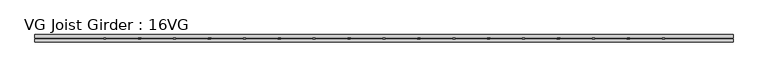
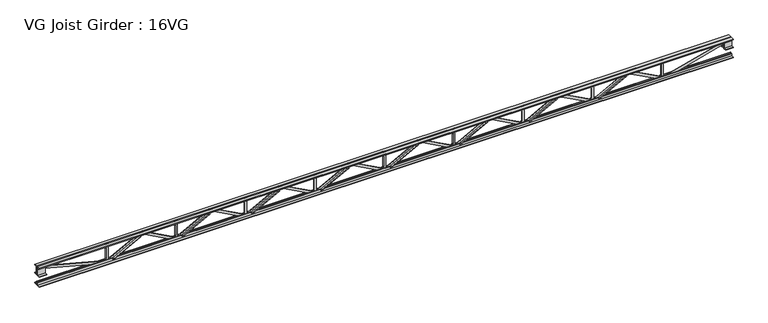
"""IFC4 building model written with IfcOpenShell, lengths in millimetres: beam geometry, VG Joist Girder : 16VG."""

import ifcopenshell
import ifcopenshell.guid

model = None  # the IFC model being written
_history = None  # IfcOwnerHistory: only IFC2X3 demands one
_inside = {}  # id of a spatial element -> (the spatial element, [elements in it])
_under = {}  # id of a project, library or spatial element -> (it, [spatial elements below it])
_declared = {}  # id of a project -> (the project, [libraries it declares])
_typed = {}  # id of a type object -> (the type object, [elements of that type])
_made_of = {}  # id of a material, layer set ... -> (it, [elements and type objects made of it])


def new_model(schema):
    """Start an empty IFC model of exactly this schema.

    Asked for "IFC4X3", IfcOpenShell would pick the latest addendum, in which some entities
    have other attributes; the version numbers below select the first issue.
    IFC2X3 requires an IfcOwnerHistory on every rooted entity: one is made here for all.
    """
    global model, _history
    if schema == "IFC4X3":
        model = ifcopenshell.file(schema_version=(4, 3, 0, 0))
    else:
        model = ifcopenshell.file(schema=schema)
    _inside.clear()
    _under.clear()
    _declared.clear()
    _typed.clear()
    _made_of.clear()
    _history = None
    if model.schema == "IFC2X3":
        org = make("IfcOrganization", Name="unknown")
        user = make(
            "IfcPersonAndOrganization",
            ThePerson=make("IfcPerson", FamilyName="unknown"),
            TheOrganization=org,
        )
        app = make(
            "IfcApplication",
            ApplicationDeveloper=org,
            Version="unknown",
            ApplicationFullName="unknown",
            ApplicationIdentifier="unknown",
        )
        _history = make(
            "IfcOwnerHistory",
            OwningUser=user,
            OwningApplication=app,
            ChangeAction="ADDED",
            CreationDate=0,
        )
    return model


def make(cls, **values):
    """One entity of the class cls with the attributes given. An attribute that is None is left unset."""
    return model.create_entity(
        cls, **{name: value for name, value in values.items() if value is not None}
    )


def rooted(cls, **values):
    """An entity with a GlobalId (a new one), such as an element, a storey or a relation."""
    return make(cls, GlobalId=ifcopenshell.guid.new(), OwnerHistory=_history, **values)


def si_unit(unit_type, name, prefix=None):
    """IfcSIUnit, for example si_unit("LENGTHUNIT", "METRE", prefix="MILLI")."""
    return make("IfcSIUnit", UnitType=unit_type, Prefix=prefix, Name=name)


def assignment(units):
    """IfcUnitAssignment: the units of a project."""
    return None if units is None else make("IfcUnitAssignment", Units=units)


def point(xyz):
    """IfcCartesianPoint."""
    return None if xyz is None else make("IfcCartesianPoint", Coordinates=xyz)


def direction(xyz):
    """IfcDirection."""
    return None if xyz is None else make("IfcDirection", DirectionRatios=xyz)


def frame(location, z_axis=None, x_axis=None):
    """IfcAxis2Placement3D, a coordinate frame: its origin and axes. An axis left out is left unset."""
    return make(
        "IfcAxis2Placement3D",
        Location=point(location),
        Axis=direction(z_axis),
        RefDirection=direction(x_axis),
    )


def origin():
    """The frame at (0, 0, 0) with its axes left unset."""
    return frame((0.0, 0.0, 0.0))


def place(relative_to, where):
    """IfcLocalPlacement: puts the frame where relative to a parent placement (None: the world)."""
    return make(
        "IfcLocalPlacement", PlacementRelTo=relative_to, RelativePlacement=where
    )


def context(
    kind, dimensions, precision=None, world=None, true_north=None, identifier=None
):
    """IfcGeometricRepresentationContext, for example the 3D "Model" context."""
    return make(
        "IfcGeometricRepresentationContext",
        ContextIdentifier=identifier,
        ContextType=kind,
        CoordinateSpaceDimension=dimensions,
        Precision=precision,
        WorldCoordinateSystem=world,
        TrueNorth=true_north,
    )


def project(units=None, contexts=None):
    """IfcProject with its units and contexts."""
    return rooted(
        "IfcProject",
        Name="project",
        RepresentationContexts=contexts,
        UnitsInContext=assignment(units),
    )


def spatial(cls, under=None, at=None, **own):
    """A site, building, storey or space (cls), placed at a placement, below another one or the project."""
    s = rooted(cls, ObjectPlacement=at, **own)
    if under is not None:
        _under.setdefault(under.id(), (under, []))[1].append(s)
    return s


def polyline(points):
    """IfcPolyline through the points."""
    return make("IfcPolyline", Points=[point(p) for p in points])


def outline(outer, holes=None, kind="AREA"):
    """IfcArbitraryClosedProfileDef: a profile drawn as a closed curve; with holes, ...WithVoids."""
    if holes is None:
        return make("IfcArbitraryClosedProfileDef", ProfileType=kind, OuterCurve=outer)
    return make(
        "IfcArbitraryProfileDefWithVoids",
        ProfileType=kind,
        OuterCurve=outer,
        InnerCurves=holes,
    )


def extrude(swept, where, along, depth):
    """IfcExtrudedAreaSolid: the profile swept, set in the frame where, extruded along a direction by depth."""
    return make(
        "IfcExtrudedAreaSolid",
        SweptArea=swept,
        Position=where,
        ExtrudedDirection=direction(along),
        Depth=depth,
    )


def faces_of(points, faces, orient=None, outer=None):
    """IfcFace entities. A face is a list of loops; a loop is a list of indices into points, from 0.

    orient and outer hold one flag for each loop. By default every Orientation is true, the
    first loop of a face is its IfcFaceOuterBound and the others are IfcFaceBound.
    """
    made = []
    for i, loops in enumerate(faces):
        bounds = []
        for j, loop in enumerate(loops):
            is_outer = j == 0 if outer is None else outer[i][j]
            bounds.append(
                make(
                    "IfcFaceOuterBound" if is_outer else "IfcFaceBound",
                    Bound=make("IfcPolyLoop", Polygon=[points[k] for k in loop]),
                    Orientation=True if orient is None else orient[i][j],
                )
            )
        made.append(make("IfcFace", Bounds=bounds))
    return made


def faceted_brep(points, faces, orient=None, outer=None, voids=None):
    """IfcFacetedBrep: a solid bounded by flat faces; with voids (closed shells), ...WithVoids."""
    shared = [point(p) for p in points]
    hull = make("IfcClosedShell", CfsFaces=faces_of(shared, faces, orient, outer))
    if voids is None:
        return make("IfcFacetedBrep", Outer=hull)
    return make(
        "IfcFacetedBrepWithVoids",
        Outer=hull,
        Voids=[
            make(cls, CfsFaces=faces_of(shared, fs, o, b)) for cls, fs, o, b in voids
        ],
    )


def shape(context_of_items, identifier, shape_type, items):
    """IfcShapeRepresentation: the items that make up one representation, for example the "Body"."""
    return make(
        "IfcShapeRepresentation",
        ContextOfItems=context_of_items,
        RepresentationIdentifier=identifier,
        RepresentationType=shape_type,
        Items=items,
    )


def source(mapping_origin, context_of_items, identifier, shape_type, items):
    """IfcRepresentationMap: a shape defined once, which mapped items show again and again."""
    return make(
        "IfcRepresentationMap",
        MappingOrigin=mapping_origin,
        MappedRepresentation=shape(context_of_items, identifier, shape_type, items),
    )


def transform(
    local_origin,
    x_axis=None,
    y_axis=None,
    z_axis=None,
    scale=None,
    scale2=None,
    scale3=None,
    uniform=True,
):
    """IfcCartesianTransformationOperator3D, or its non-uniform kind. x_axis, y_axis, z_axis: its Axis1, 2, 3."""
    if uniform:
        return make(
            "IfcCartesianTransformationOperator3D",
            Axis1=direction(x_axis),
            Axis2=direction(y_axis),
            LocalOrigin=point(local_origin),
            Scale=scale,
            Axis3=direction(z_axis),
        )
    return make(
        "IfcCartesianTransformationOperator3DnonUniform",
        Axis1=direction(x_axis),
        Axis2=direction(y_axis),
        LocalOrigin=point(local_origin),
        Scale=scale,
        Axis3=direction(z_axis),
        Scale2=scale2,
        Scale3=scale3,
    )


def mapped(mapping_source, mapping_target):
    """IfcMappedItem: shows the shape of a source again, moved by a transform."""
    return make(
        "IfcMappedItem", MappingSource=mapping_source, MappingTarget=mapping_target
    )


def made_of(thing, what):
    """Note that an element or type object is made of a material, layer set ...; save() writes the relation."""
    if what is not None:
        _made_of.setdefault(what.id(), (what, []))[1].append(thing)
    return thing


def element(
    cls,
    number,
    at=None,
    inside=None,
    cuts=None,
    type_object=None,
    material=None,
    context=None,
    identifier="Body",
    shape_type=None,
    held_by="IfcProductDefinitionShape",
    body=None,
    shapes=None,
    **own,
):
    """One element of the class cls, such as IfcWall. Its Tag is "e" and its number.

    at: its placement. inside: the storey or other place that contains it. cuts: it is an
    opening in that element (IfcRelVoidsElement). A single representation is given by context,
    identifier, shape_type and body (its items); several are given by shapes. held_by: the class
    of the entity that holds the representations. save() writes the other relations.
    """
    e = rooted(cls, Tag="e%d" % number, ObjectPlacement=at, **own)
    if body is not None:
        shapes = [shape(context, identifier, shape_type, body)]
    if shapes is not None:
        e.Representation = make(held_by, Representations=shapes)
    if inside is not None:
        _inside.setdefault(inside.id(), (inside, []))[1].append(e)
    if cuts is not None:
        rooted(
            "IfcRelVoidsElement", RelatingBuildingElement=cuts, RelatedOpeningElement=e
        )
    if type_object is not None:
        _typed.setdefault(type_object.id(), (type_object, []))[1].append(e)
    return made_of(e, material)


def aggregate(whole, parts):
    """IfcRelAggregates: a whole, such as a stair, and the parts it consists of."""
    return rooted("IfcRelAggregates", RelatingObject=whole, RelatedObjects=parts)


def save(model, path):
    """Write the relations noted so far, then the file.

    IfcRelAggregates (storeys below a building ...), IfcRelContainedInSpatialStructure (elements
    in a storey), IfcRelDefinesByType, IfcRelAssociatesMaterial and IfcRelDeclares: one each for
    every whole, place, type object, material and project.
    """
    for whole, parts in _under.values():
        aggregate(whole, parts)
    for where, things in _inside.values():
        rooted(
            "IfcRelContainedInSpatialStructure",
            RelatedElements=things,
            RelatingStructure=where,
        )
    for kind, things in _typed.values():
        rooted("IfcRelDefinesByType", RelatedObjects=things, RelatingType=kind)
    for what, things in _made_of.values():
        rooted("IfcRelAssociatesMaterial", RelatedObjects=things, RelatingMaterial=what)
    for by, libraries in _declared.values():
        rooted("IfcRelDeclares", RelatingContext=by, RelatedDefinitions=libraries)
    model.write(path)


def vg_joist_girder_16vg_ef0be2d3(model_context):
    return source(origin(), model_context, "Body", "SolidModel", [
        faceted_brep([(4271.01, -12.7, -152.4), (4271.01, 0.0, -152.4), (4271.01, 0.0, -203.2), (4271.01, -12.7, -203.2), (4290.0116306, -12.7, -152.4), (4290.0116306, 0.0, -152.4), (4951.0466306, 0.0, 203.2), (5008.245, 0.0, 203.2), (5008.245, 0.0, 152.4), (4963.8433694, 0.0, 152.4), (4302.8083694, 0.0, -203.2), (4302.8083694, -12.7, -203.2), (4381.8939989, -12.7, -160.6563376), (4375.8774164, -12.7, -149.4719407), (4942.009661, -12.7, 155.0756645), (4948.0262435, -12.7, 143.8912675), (4963.8433694, -12.7, 152.4), (5008.245, -12.7, 152.4), (5008.245, -12.7, 203.2), (4951.0466306, -12.7, 203.2), (4948.0262435, -50.8, 143.8912675), (4381.8939989, -50.8, -160.6563376), (4375.8774164, -50.8, -149.4719407), (4942.009661, -50.8, 155.0756645)], [[[0, 1, 2, 3]], [[1, 0, 4, 5]], [[2, 1, 5, 6, 7, 8, 9, 10]], [[3, 2, 10, 11]], [[0, 3, 11, 12, 13, 14, 15, 16, 17, 18, 19, 4]], [[5, 4, 19, 6]], [[10, 9, 16, 15, 20, 21, 12, 11]], [[8, 7, 18, 17]], [[7, 6, 19, 18]], [[9, 8, 17, 16]], [[21, 22, 13, 12]], [[20, 15, 14, 23]], [[22, 21, 20, 23]], [[13, 22, 23, 14]]]),
        extrude(outline(polyline([(203.2, 5720.08), (203.2, 5669.28), (120.65, 5669.28), (109.5375, 5680.3925), (-109.5375, 5680.3925), (-120.65, 5669.28), (-203.2, 5669.28), (-203.2, 5720.08), (203.2, 5720.08)])), frame((0.0, -12.7, 0.0), z_axis=(0.0, 1.0, 0.0), x_axis=(0.0, 0.0, 1.0)), (0.0, 0.0, 1.0), 25.4),
        extrude(outline(polyline([(203.2, 4296.41), (203.2, 4245.61), (120.65, 4245.61), (109.5375, 4256.7225), (-109.5375, 4256.7225), (-120.65, 4245.61), (-203.2, 4245.61), (-203.2, 4296.41), (203.2, 4296.41)])), frame((0.0, -12.7, 0.0), z_axis=(0.0, 1.0, 0.0), x_axis=(0.0, 0.0, 1.0)), (0.0, 0.0, 1.0), 25.4),
        extrude(outline(polyline([(0.0, -38.1), (0.0, 0.0), (642.8490975, 0.0), (642.8490975, -38.1), (0.0, -38.1)])), frame((5583.7960011, 12.7, -160.6563376), z_axis=(0.4737466480662303, 0.0, 0.8806611797087525), x_axis=(-0.8806611797087525, 0.0, 0.4737466480662303)), (0.0, 0.0, 1.0), 12.7),
        extrude(outline(polyline([(-203.2, 5694.68), (-152.4, 5694.68), (-152.4, 5675.6783694), (203.2, 5014.6433694), (203.2, 4957.445), (152.4, 4957.445), (152.4, 5001.8466306), (-203.2, 5662.8816306), (-203.2, 5694.68)])), frame((0.0, 0.0, 0.0), z_axis=(0.0, 1.0, 0.0), x_axis=(0.0, 0.0, 1.0)), (0.0, 0.0, 1.0), 12.7),
        extrude(outline(polyline([(203.2, 2872.74), (203.2, 2821.94), (120.65, 2821.94), (109.5375, 2833.0525), (-109.5375, 2833.0525), (-120.65, 2821.94), (-203.2, 2821.94), (-203.2, 2872.74), (203.2, 2872.74)])), frame((0.0, -12.7, 0.0), z_axis=(0.0, 1.0, 0.0), x_axis=(0.0, 0.0, 1.0)), (0.0, 0.0, 1.0), 25.4),
        faceted_brep([(4271.01, 0.0, -152.4), (4271.01, 0.0, -203.2), (4271.01, 12.7, -203.2), (4271.01, 12.7, -152.4), (4252.0083694, 0.0, -152.4), (3590.9733694, 0.0, 203.2), (3533.775, 0.0, 203.2), (3533.775, 0.0, 152.4), (3578.1766306, 0.0, 152.4), (4239.2116306, 0.0, -203.2), (4239.2116306, 12.7, -203.2), (4160.1260011, 12.7, -160.6563376), (4166.1425836, 12.7, -149.4719407), (3600.010339, 12.7, 155.0756645), (3593.9937565, 12.7, 143.8912675), (3578.1766306, 12.7, 152.4), (3533.775, 12.7, 152.4), (3533.775, 12.7, 203.2), (3590.9733694, 12.7, 203.2), (4252.0083694, 12.7, -152.4), (3593.9937565, 50.8, 143.8912675), (4160.1260011, 50.8, -160.6563376), (4166.1425836, 50.8, -149.4719407), (3600.010339, 50.8, 155.0756645)], [[[0, 1, 2, 3]], [[1, 0, 4, 5, 6, 7, 8, 9]], [[2, 1, 9, 10]], [[3, 2, 10, 11, 12, 13, 14, 15, 16, 17, 18, 19]], [[0, 3, 19, 4]], [[9, 8, 15, 14, 20, 21, 11, 10]], [[5, 4, 19, 18]], [[7, 6, 17, 16]], [[8, 7, 16, 15]], [[6, 5, 18, 17]], [[11, 21, 22, 12]], [[13, 23, 20, 14]], [[22, 21, 20, 23]], [[12, 22, 23, 13]]]),
        extrude(outline(polyline([(0.0, -38.1), (0.0, 0.0), (642.8490975, 0.0), (642.8490975, -38.1), (0.0, -38.1)])), frame((2958.2239989, -12.7, -160.6563376), z_axis=(-0.47374664806622946, 0.0, 0.8806611797087528), x_axis=(0.8806611797087528, 0.0, 0.47374664806622946)), (0.0, 0.0, 1.0), 12.7),
        extrude(outline(polyline([(-152.4, 2847.34), (-203.2, 2847.34), (-203.2, 2879.1383694), (152.4, 3540.1733694), (152.4, 3584.575), (203.2, 3584.575), (203.2, 3527.3766306), (-152.4, 2866.3416306), (-152.4, 2847.34)])), frame((0.0, -12.7, 0.0), z_axis=(0.0, 1.0, 0.0), x_axis=(0.0, 0.0, 1.0)), (0.0, 0.0, 1.0), 12.7),
        extrude(outline(polyline([(203.2, 1449.07), (203.2, 1398.27), (120.65, 1398.27), (109.5375, 1409.3825), (-109.5375, 1409.3825), (-120.65, 1398.27), (-203.2, 1398.27), (-203.2, 1449.07), (203.2, 1449.07)])), frame((0.0, -12.7, 0.0), z_axis=(0.0, 1.0, 0.0), x_axis=(0.0, 0.0, 1.0)), (0.0, 0.0, 1.0), 25.4),
        faceted_brep([(2847.34, 0.0, -152.4), (2847.34, 0.0, -203.2), (2847.34, 12.7, -203.2), (2847.34, 12.7, -152.4), (2828.3383694, 0.0, -152.4), (2167.3033694, 0.0, 203.2), (2110.105, 0.0, 203.2), (2110.105, 0.0, 152.4), (2154.5066306, 0.0, 152.4), (2815.5416306, 0.0, -203.2), (2815.5416306, 12.7, -203.2), (2736.4560011, 12.7, -160.6563376), (2742.4725836, 12.7, -149.4719407), (2176.340339, 12.7, 155.0756645), (2170.3237565, 12.7, 143.8912675), (2154.5066306, 12.7, 152.4), (2110.105, 12.7, 152.4), (2110.105, 12.7, 203.2), (2167.3033694, 12.7, 203.2), (2828.3383694, 12.7, -152.4), (2170.3237565, 50.8, 143.8912675), (2736.4560011, 50.8, -160.6563376), (2742.4725836, 50.8, -149.4719407), (2176.340339, 50.8, 155.0756645)], [[[0, 1, 2, 3]], [[1, 0, 4, 5, 6, 7, 8, 9]], [[2, 1, 9, 10]], [[3, 2, 10, 11, 12, 13, 14, 15, 16, 17, 18, 19]], [[0, 3, 19, 4]], [[9, 8, 15, 14, 20, 21, 11, 10]], [[5, 4, 19, 18]], [[7, 6, 17, 16]], [[8, 7, 16, 15]], [[6, 5, 18, 17]], [[11, 21, 22, 12]], [[13, 23, 20, 14]], [[22, 21, 20, 23]], [[12, 22, 23, 13]]]),
        extrude(outline(polyline([(0.0, -38.1), (0.0, 0.0), (642.8490975, 0.0), (642.8490975, -38.1), (0.0, -38.1)])), frame((1534.5539989, -12.7, -160.6563376), z_axis=(-0.47374664806622946, 0.0, 0.8806611797087528), x_axis=(0.8806611797087528, 0.0, 0.47374664806622946)), (0.0, 0.0, 1.0), 12.7),
        extrude(outline(polyline([(-152.4, 1423.67), (-203.2, 1423.67), (-203.2, 1455.4683694), (152.4, 2116.5033694), (152.4, 2160.905), (203.2, 2160.905), (203.2, 2103.7066306), (-152.4, 1442.6716306), (-152.4, 1423.67)])), frame((0.0, -12.7, 0.0), z_axis=(0.0, 1.0, 0.0), x_axis=(0.0, 0.0, 1.0)), (0.0, 0.0, 1.0), 12.7),
        extrude(outline(polyline([(203.2, 25.4), (203.2, -25.4), (120.65, -25.4), (109.5375, -14.2875), (-109.5375, -14.2875), (-120.65, -25.4), (-203.2, -25.4), (-203.2, 25.4), (203.2, 25.4)])), frame((0.0, -12.7, 0.0), z_axis=(0.0, 1.0, 0.0), x_axis=(0.0, 0.0, 1.0)), (0.0, 0.0, 1.0), 25.4),
        faceted_brep([(1423.67, 0.0, -152.4), (1423.67, 0.0, -203.2), (1423.67, 12.7, -203.2), (1423.67, 12.7, -152.4), (1404.6683694, 0.0, -152.4), (743.6333694, 0.0, 203.2), (686.435, 0.0, 203.2), (686.435, 0.0, 152.4), (730.8366306, 0.0, 152.4), (1391.8716306, 0.0, -203.2), (1391.8716306, 12.7, -203.2), (1312.7860011, 12.7, -160.6563376), (1318.8025836, 12.7, -149.4719407), (752.670339, 12.7, 155.0756645), (746.6537565, 12.7, 143.8912675), (730.8366306, 12.7, 152.4), (686.435, 12.7, 152.4), (686.435, 12.7, 203.2), (743.6333694, 12.7, 203.2), (1404.6683694, 12.7, -152.4), (746.6537565, 50.8, 143.8912675), (1312.7860011, 50.8, -160.6563376), (1318.8025836, 50.8, -149.4719407), (752.670339, 50.8, 155.0756645)], [[[0, 1, 2, 3]], [[1, 0, 4, 5, 6, 7, 8, 9]], [[2, 1, 9, 10]], [[3, 2, 10, 11, 12, 13, 14, 15, 16, 17, 18, 19]], [[0, 3, 19, 4]], [[9, 8, 15, 14, 20, 21, 11, 10]], [[5, 4, 19, 18]], [[7, 6, 17, 16]], [[8, 7, 16, 15]], [[6, 5, 18, 17]], [[11, 21, 22, 12]], [[13, 23, 20, 14]], [[22, 21, 20, 23]], [[12, 22, 23, 13]]]),
        extrude(outline(polyline([(0.0, -38.1), (0.0, 0.0), (642.8490975, 0.0), (642.8490975, -38.1), (0.0, -38.1)])), frame((110.8839989, -12.7, -160.6563376), z_axis=(-0.47374664806622946, 0.0, 0.8806611797087528), x_axis=(0.8806611797087528, 0.0, 0.47374664806622946)), (0.0, 0.0, 1.0), 12.7),
        extrude(outline(polyline([(-152.4, 0.0), (-203.2, 0.0), (-203.2, 31.7983694), (152.4, 692.8333694), (152.4, 737.235), (203.2, 737.235), (203.2, 680.0366306), (-152.4, 19.0016306), (-152.4, 0.0)])), frame((0.0, -12.7, 0.0), z_axis=(0.0, 1.0, 0.0), x_axis=(0.0, 0.0, 1.0)), (0.0, 0.0, 1.0), 12.7),
        extrude(outline(polyline([(203.2, -1398.27), (203.2, -1449.07), (120.65, -1449.07), (109.5375, -1437.9575), (-109.5375, -1437.9575), (-120.65, -1449.07), (-203.2, -1449.07), (-203.2, -1398.27), (203.2, -1398.27)])), frame((0.0, -12.7, 0.0), z_axis=(0.0, 1.0, 0.0), x_axis=(0.0, 0.0, 1.0)), (0.0, 0.0, 1.0), 25.4),
        faceted_brep([(0.0, 0.0, -152.4), (0.0, 0.0, -203.2), (0.0, 12.7, -203.2), (0.0, 12.7, -152.4), (-19.0016306, 0.0, -152.4), (-680.0366306, 0.0, 203.2), (-737.235, 0.0, 203.2), (-737.235, 0.0, 152.4), (-692.8333694, 0.0, 152.4), (-31.7983694, 0.0, -203.2), (-31.7983694, 12.7, -203.2), (-110.8839989, 12.7, -160.6563376), (-104.8674164, 12.7, -149.4719407), (-670.999661, 12.7, 155.0756645), (-677.0162435, 12.7, 143.8912675), (-692.8333694, 12.7, 152.4), (-737.235, 12.7, 152.4), (-737.235, 12.7, 203.2), (-680.0366306, 12.7, 203.2), (-19.0016306, 12.7, -152.4), (-677.0162435, 50.8, 143.8912675), (-110.8839989, 50.8, -160.6563376), (-104.8674164, 50.8, -149.4719407), (-670.999661, 50.8, 155.0756645)], [[[0, 1, 2, 3]], [[1, 0, 4, 5, 6, 7, 8, 9]], [[2, 1, 9, 10]], [[3, 2, 10, 11, 12, 13, 14, 15, 16, 17, 18, 19]], [[0, 3, 19, 4]], [[9, 8, 15, 14, 20, 21, 11, 10]], [[5, 4, 19, 18]], [[7, 6, 17, 16]], [[8, 7, 16, 15]], [[6, 5, 18, 17]], [[11, 21, 22, 12]], [[13, 23, 20, 14]], [[22, 21, 20, 23]], [[12, 22, 23, 13]]]),
        extrude(outline(polyline([(0.0, -38.1), (0.0, 0.0), (642.8490975, 0.0), (642.8490975, -38.1), (0.0, -38.1)])), frame((-1312.7860011, -12.7, -160.6563376), z_axis=(-0.47374664806622946, 0.0, 0.8806611797087528), x_axis=(0.8806611797087528, 0.0, 0.47374664806622946)), (0.0, 0.0, 1.0), 12.7),
        extrude(outline(polyline([(-152.4, -1423.67), (-203.2, -1423.67), (-203.2, -1391.8716306), (152.4, -730.8366306), (152.4, -686.435), (203.2, -686.435), (203.2, -743.6333694), (-152.4, -1404.6683694), (-152.4, -1423.67)])), frame((0.0, -12.7, 0.0), z_axis=(0.0, 1.0, 0.0), x_axis=(0.0, 0.0, 1.0)), (0.0, 0.0, 1.0), 12.7),
        extrude(outline(polyline([(203.2, -2821.94), (203.2, -2872.74), (120.65, -2872.74), (109.5375, -2861.6275), (-109.5375, -2861.6275), (-120.65, -2872.74), (-203.2, -2872.74), (-203.2, -2821.94), (203.2, -2821.94)])), frame((0.0, -12.7, 0.0), z_axis=(0.0, 1.0, 0.0), x_axis=(0.0, 0.0, 1.0)), (0.0, 0.0, 1.0), 25.4),
        faceted_brep([(-1423.67, 0.0, -152.4), (-1423.67, 0.0, -203.2), (-1423.67, 12.7, -203.2), (-1423.67, 12.7, -152.4), (-1442.6716306, 0.0, -152.4), (-2103.7066306, 0.0, 203.2), (-2160.905, 0.0, 203.2), (-2160.905, 0.0, 152.4), (-2116.5033694, 0.0, 152.4), (-1455.4683694, 0.0, -203.2), (-1455.4683694, 12.7, -203.2), (-1534.5539989, 12.7, -160.6563376), (-1528.5374164, 12.7, -149.4719407), (-2094.669661, 12.7, 155.0756645), (-2100.6862435, 12.7, 143.8912675), (-2116.5033694, 12.7, 152.4), (-2160.905, 12.7, 152.4), (-2160.905, 12.7, 203.2), (-2103.7066306, 12.7, 203.2), (-1442.6716306, 12.7, -152.4), (-2100.6862435, 50.8, 143.8912675), (-1534.5539989, 50.8, -160.6563376), (-1528.5374164, 50.8, -149.4719407), (-2094.669661, 50.8, 155.0756645)], [[[0, 1, 2, 3]], [[1, 0, 4, 5, 6, 7, 8, 9]], [[2, 1, 9, 10]], [[3, 2, 10, 11, 12, 13, 14, 15, 16, 17, 18, 19]], [[0, 3, 19, 4]], [[9, 8, 15, 14, 20, 21, 11, 10]], [[5, 4, 19, 18]], [[7, 6, 17, 16]], [[8, 7, 16, 15]], [[6, 5, 18, 17]], [[11, 21, 22, 12]], [[13, 23, 20, 14]], [[22, 21, 20, 23]], [[12, 22, 23, 13]]]),
        extrude(outline(polyline([(0.0, -38.1), (0.0, 0.0), (642.8490975, 0.0), (642.8490975, -38.1), (0.0, -38.1)])), frame((-2736.4560011, -12.7, -160.6563376), z_axis=(-0.47374664806622946, 0.0, 0.8806611797087528), x_axis=(0.8806611797087528, 0.0, 0.47374664806622946)), (0.0, 0.0, 1.0), 12.7),
        extrude(outline(polyline([(-152.4, -2847.34), (-203.2, -2847.34), (-203.2, -2815.5416306), (152.4, -2154.5066306), (152.4, -2110.105), (203.2, -2110.105), (203.2, -2167.3033694), (-152.4, -2828.3383694), (-152.4, -2847.34)])), frame((0.0, -12.7, 0.0), z_axis=(0.0, 1.0, 0.0), x_axis=(0.0, 0.0, 1.0)), (0.0, 0.0, 1.0), 12.7),
        extrude(outline(polyline([(203.2, -4245.61), (203.2, -4296.41), (120.65, -4296.41), (109.5375, -4285.2975), (-109.5375, -4285.2975), (-120.65, -4296.41), (-203.2, -4296.41), (-203.2, -4245.61), (203.2, -4245.61)])), frame((0.0, -12.7, 0.0), z_axis=(0.0, 1.0, 0.0), x_axis=(0.0, 0.0, 1.0)), (0.0, 0.0, 1.0), 25.4),
        faceted_brep([(-2847.34, 0.0, -152.4), (-2847.34, 0.0, -203.2), (-2847.34, 12.7, -203.2), (-2847.34, 12.7, -152.4), (-2866.3416306, 0.0, -152.4), (-3527.3766306, 0.0, 203.2), (-3584.575, 0.0, 203.2), (-3584.575, 0.0, 152.4), (-3540.1733694, 0.0, 152.4), (-2879.1383694, 0.0, -203.2), (-2879.1383694, 12.7, -203.2), (-2958.2239989, 12.7, -160.6563376), (-2952.2074164, 12.7, -149.4719407), (-3518.339661, 12.7, 155.0756645), (-3524.3562435, 12.7, 143.8912675), (-3540.1733694, 12.7, 152.4), (-3584.575, 12.7, 152.4), (-3584.575, 12.7, 203.2), (-3527.3766306, 12.7, 203.2), (-2866.3416306, 12.7, -152.4), (-3524.3562435, 50.8, 143.8912675), (-2958.2239989, 50.8, -160.6563376), (-2952.2074164, 50.8, -149.4719407), (-3518.339661, 50.8, 155.0756645)], [[[0, 1, 2, 3]], [[1, 0, 4, 5, 6, 7, 8, 9]], [[2, 1, 9, 10]], [[3, 2, 10, 11, 12, 13, 14, 15, 16, 17, 18, 19]], [[0, 3, 19, 4]], [[9, 8, 15, 14, 20, 21, 11, 10]], [[5, 4, 19, 18]], [[7, 6, 17, 16]], [[8, 7, 16, 15]], [[6, 5, 18, 17]], [[11, 21, 22, 12]], [[13, 23, 20, 14]], [[22, 21, 20, 23]], [[12, 22, 23, 13]]]),
        extrude(outline(polyline([(0.0, -38.1), (0.0, 0.0), (642.8490975, 0.0), (642.8490975, -38.1), (0.0, -38.1)])), frame((-4160.1260011, -12.7, -160.6563376), z_axis=(-0.47374664806622946, 0.0, 0.8806611797087528), x_axis=(0.8806611797087528, 0.0, 0.47374664806622946)), (0.0, 0.0, 1.0), 12.7),
        extrude(outline(polyline([(-152.4, -4271.01), (-203.2, -4271.01), (-203.2, -4239.2116306), (152.4, -3578.1766306), (152.4, -3533.775), (203.2, -3533.775), (203.2, -3590.9733694), (-152.4, -4252.0083694), (-152.4, -4271.01)])), frame((0.0, -12.7, 0.0), z_axis=(0.0, 1.0, 0.0), x_axis=(0.0, 0.0, 1.0)), (0.0, 0.0, 1.0), 12.7),
        extrude(outline(polyline([(203.2, -5669.28), (203.2, -5720.08), (120.65, -5720.08), (109.5375, -5708.9675), (-109.5375, -5708.9675), (-120.65, -5720.08), (-203.2, -5720.08), (-203.2, -5669.28), (203.2, -5669.28)])), frame((0.0, -12.7, 0.0), z_axis=(0.0, 1.0, 0.0), x_axis=(0.0, 0.0, 1.0)), (0.0, 0.0, 1.0), 25.4),
        faceted_brep([(-4271.01, 0.0, -152.4), (-4271.01, 0.0, -203.2), (-4271.01, 12.7, -203.2), (-4271.01, 12.7, -152.4), (-4290.0116306, 0.0, -152.4), (-4951.0466306, 0.0, 203.2), (-5008.245, 0.0, 203.2), (-5008.245, 0.0, 152.4), (-4963.8433694, 0.0, 152.4), (-4302.8083694, 0.0, -203.2), (-4302.8083694, 12.7, -203.2), (-4381.8939989, 12.7, -160.6563376), (-4375.8774164, 12.7, -149.4719407), (-4942.009661, 12.7, 155.0756645), (-4948.0262435, 12.7, 143.8912675), (-4963.8433694, 12.7, 152.4), (-5008.245, 12.7, 152.4), (-5008.245, 12.7, 203.2), (-4951.0466306, 12.7, 203.2), (-4290.0116306, 12.7, -152.4), (-4948.0262435, 50.8, 143.8912675), (-4381.8939989, 50.8, -160.6563376), (-4375.8774164, 50.8, -149.4719407), (-4942.009661, 50.8, 155.0756645)], [[[0, 1, 2, 3]], [[1, 0, 4, 5, 6, 7, 8, 9]], [[2, 1, 9, 10]], [[3, 2, 10, 11, 12, 13, 14, 15, 16, 17, 18, 19]], [[0, 3, 19, 4]], [[9, 8, 15, 14, 20, 21, 11, 10]], [[5, 4, 19, 18]], [[7, 6, 17, 16]], [[8, 7, 16, 15]], [[6, 5, 18, 17]], [[11, 21, 22, 12]], [[13, 23, 20, 14]], [[22, 21, 20, 23]], [[12, 22, 23, 13]]]),
        extrude(outline(polyline([(0.0, -38.1), (0.0, 0.0), (642.8490975, 0.0), (642.8490975, -38.1), (0.0, -38.1)])), frame((-5583.7960011, -12.7, -160.6563376), z_axis=(-0.47374664806622946, 0.0, 0.8806611797087528), x_axis=(0.8806611797087528, 0.0, 0.47374664806622946)), (0.0, 0.0, 1.0), 12.7),
        extrude(outline(polyline([(-152.4, -5694.68), (-203.2, -5694.68), (-203.2, -5662.8816306), (152.4, -5001.8466306), (152.4, -4957.445), (203.2, -4957.445), (203.2, -5014.6433694), (-152.4, -5675.6783694), (-152.4, -5694.68)])), frame((0.0, -12.7, 0.0), z_axis=(0.0, 1.0, 0.0), x_axis=(0.0, 0.0, 1.0)), (0.0, 0.0, 1.0), 12.7),
        extrude(outline(polyline([(12.7, 203.2), (76.2, 203.2), (76.2, 190.5), (25.4, 190.5), (25.4, 139.7), (12.7, 139.7), (12.7, 203.2)])), frame((-7118.844327, 0.0, 0.0), z_axis=(1.0, 0.0, 0.0), x_axis=(0.0, 1.0, 0.0)), (0.0, 0.0, 1.0), 14237.194327),
        extrude(outline(polyline([(-12.7, 203.2), (-12.7, 139.7), (-25.4, 139.7), (-25.4, 190.5), (-76.2, 190.5), (-76.2, 203.2), (-12.7, 203.2)])), frame((-7118.844327, 0.0, 0.0), z_axis=(1.0, 0.0, 0.0), x_axis=(0.0, 1.0, 0.0)), (0.0, 0.0, 1.0), 14237.194327),
        extrude(outline(polyline([(-12.7, 12.7), (-76.2, 12.7), (-76.2, 25.4), (-25.4, 25.4), (-25.4, 139.7), (-12.7, 139.7), (-12.7, 12.7)])), frame((-7118.844327, 0.0, 0.0), z_axis=(1.0, 0.0, 0.0), x_axis=(0.0, 1.0, 0.0)), (0.0, 0.0, 1.0), 152.894327),
        extrude(outline(polyline([(76.2, 12.7), (12.7, 12.7), (12.7, 139.7), (25.4, 139.7), (25.4, 25.4), (76.2, 25.4), (76.2, 12.7)])), frame((-7118.844327, 0.0, 0.0), z_axis=(1.0, 0.0, 0.0), x_axis=(0.0, 1.0, 0.0)), (0.0, 0.0, 1.0), 152.894327),
        extrude(outline(polyline([(12.7, 12.7), (12.7, 139.7), (25.4, 139.7), (25.4, 25.4), (76.2, 25.4), (76.2, 12.7), (12.7, 12.7)])), frame((6965.95, 0.0, 0.0), z_axis=(1.0, 0.0, 0.0), x_axis=(0.0, 1.0, 0.0)), (0.0, 0.0, 1.0), 152.4),
        extrude(outline(polyline([(-12.7, 12.7), (-76.2, 12.7), (-76.2, 25.4), (-25.4, 25.4), (-25.4, 139.7), (-12.7, 139.7), (-12.7, 12.7)])), frame((6965.95, 0.0, 0.0), z_axis=(1.0, 0.0, 0.0), x_axis=(0.0, 1.0, 0.0)), (0.0, 0.0, 1.0), 152.4),
        extrude(outline(polyline([(12.7, -203.2), (12.7, -139.7), (25.4, -139.7), (25.4, -190.5), (76.2, -190.5), (76.2, -203.2), (12.7, -203.2)])), frame((-7118.35, 0.0, 0.0), z_axis=(1.0, 0.0, 0.0), x_axis=(0.0, 1.0, 0.0)), (0.0, 0.0, 1.0), 14236.7),
        extrude(outline(polyline([(-12.7, -203.2), (-76.2, -203.2), (-76.2, -190.5), (-25.4, -190.5), (-25.4, -139.7), (-12.7, -139.7), (-12.7, -203.2)])), frame((-7118.35, 0.0, 0.0), z_axis=(1.0, 0.0, 0.0), x_axis=(0.0, 1.0, 0.0)), (0.0, 0.0, 1.0), 14236.7),
        extrude(outline(polyline([(0.0, -12.7), (0.0, 0.0), (1315.0639967, 0.0), (1315.0639967, -12.7), (0.0, -12.7)])), frame((-6972.4503452, 6.35, 115.1458657), z_axis=(0.25591910419998665, 0.0, 0.9666982011493952), x_axis=(0.9666982011493952, 0.0, -0.25591910419998665)), (0.0, 0.0, 1.0), 50.8),
        extrude(outline(polyline([(0.0, -12.7), (0.0, 0.0), (1315.0639967, 0.0), (1315.0639967, -12.7), (0.0, -12.7)])), frame((5701.1803452, -6.35, -221.4041343), z_axis=(-0.25591910419998, 0.0, 0.966698201149397), x_axis=(0.966698201149397, 0.0, 0.25591910419998)), (0.0, 0.0, 1.0), 50.8),
    ])


if __name__ == "__main__":
    model = new_model("IFC4")
    model_context = context("Model", 3, world=origin())
    ifc_project = project(units=[si_unit("LENGTHUNIT", "METRE", prefix="MILLI")], contexts=[model_context])
    site = spatial("IfcSite", under=ifc_project)
    building = spatial("IfcBuilding", under=site)
    placement = place(None, origin())
    vg_joist_girder_16vg_shape = vg_joist_girder_16vg_ef0be2d3(model_context)
    element("IfcBeam", 1, ObjectType="VG Joist Girder : 16VG", at=placement, inside=building, context=model_context, shape_type="MappedRepresentation", body=[
        mapped(vg_joist_girder_16vg_shape, transform((0.0, 0.0, 0.0), x_axis=(1.0, 0.0, 0.0), y_axis=(0.0, 1.0, 0.0), z_axis=(0.0, 0.0, 1.0))),
    ])
    save(model, "model.ifc")
